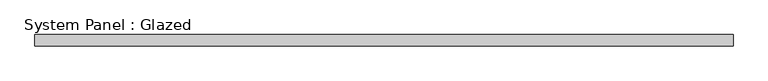
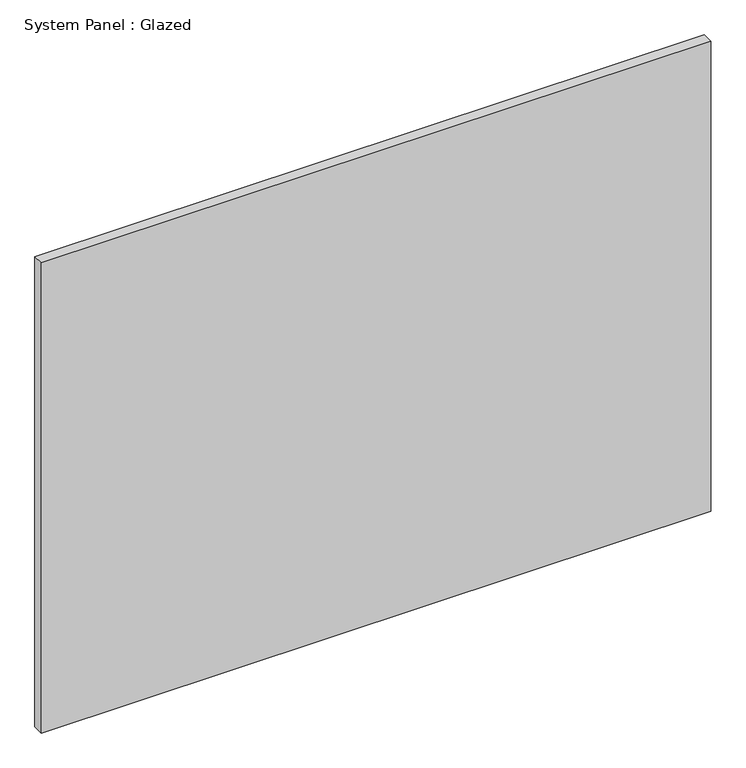
"""IFC4 building model written with IfcOpenShell, lengths in millimetres: plate geometry, System Panel : Glazed."""

from ifc_helpers import new_model, si_unit, origin, origin_with_axes, place, context, project, spatial, polyline, outline, extrude, source, transform, mapped, element, save


def system_panel_glazed_e58a0ab9(model_context):
    return source(origin(), model_context, "Body", "SweptSolid", [
        extrude(outline(polyline([(769.62, -12.7), (-769.62, -12.7), (-769.62, 12.7), (769.62, 12.7), (769.62, -12.7)])), origin_with_axes(), (0.0, 0.0, 1.0), 1143.0),
    ])


if __name__ == "__main__":
    model = new_model("IFC4")
    model_context = context("Model", 3, world=origin())
    ifc_project = project(units=[si_unit("LENGTHUNIT", "METRE", prefix="MILLI")], contexts=[model_context])
    site = spatial("IfcSite", under=ifc_project)
    building = spatial("IfcBuilding", under=site)
    placement = place(None, origin())
    system_panel_glazed_shape = system_panel_glazed_e58a0ab9(model_context)
    element("IfcPlate", 1, ObjectType="System Panel : Glazed", at=placement, inside=building, context=model_context, shape_type="MappedRepresentation", body=[
        mapped(system_panel_glazed_shape, transform((0.0, 0.0, 0.0), x_axis=(1.0, 0.0, 0.0), y_axis=(0.0, 1.0, 0.0), z_axis=(0.0, 0.0, 1.0))),
    ])
    save(model, "model.ifc")
